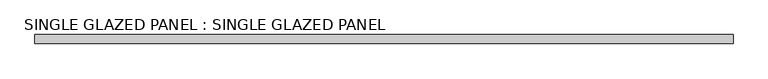
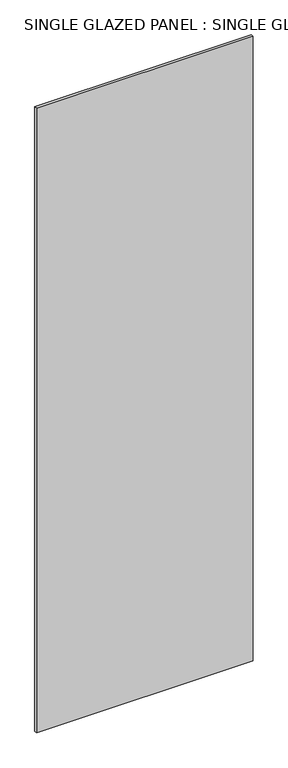
"""IFC4 building model written with IfcOpenShell, lengths in millimetres: plate geometry, SINGLE GLAZED PANEL : SINGLE GLAZED PANEL."""

from ifc_helpers import new_model, si_unit, origin, origin_with_axes, place, context, project, spatial, polyline, outline, extrude, source, transform, mapped, element, save


def single_glazed_panel_single_glazed_panel_4245721c(model_context):
    return source(origin(), model_context, "Body", "SweptSolid", [
        extrude(outline(polyline([(499.26875, 6.35), (499.26875, -6.35), (-499.26875, -6.35), (-499.26875, 6.35), (499.26875, 6.35)])), origin_with_axes(), (0.0, 0.0, 1.0), 3041.65),
    ])


if __name__ == "__main__":
    model = new_model("IFC4")
    model_context = context("Model", 3, world=origin())
    ifc_project = project(units=[si_unit("LENGTHUNIT", "METRE", prefix="MILLI")], contexts=[model_context])
    site = spatial("IfcSite", under=ifc_project)
    building = spatial("IfcBuilding", under=site)
    placement = place(None, origin())
    single_glazed_panel_single_glazed_panel_shape = single_glazed_panel_single_glazed_panel_4245721c(model_context)
    element("IfcPlate", 1, ObjectType="SINGLE GLAZED PANEL : SINGLE GLAZED PANEL", at=placement, inside=building, context=model_context, shape_type="MappedRepresentation", body=[
        mapped(single_glazed_panel_single_glazed_panel_shape, transform((0.0, 0.0, 0.0), x_axis=(1.0, 0.0, 0.0), y_axis=(0.0, 1.0, 0.0), z_axis=(0.0, 0.0, 1.0))),
    ])
    save(model, "model.ifc")
